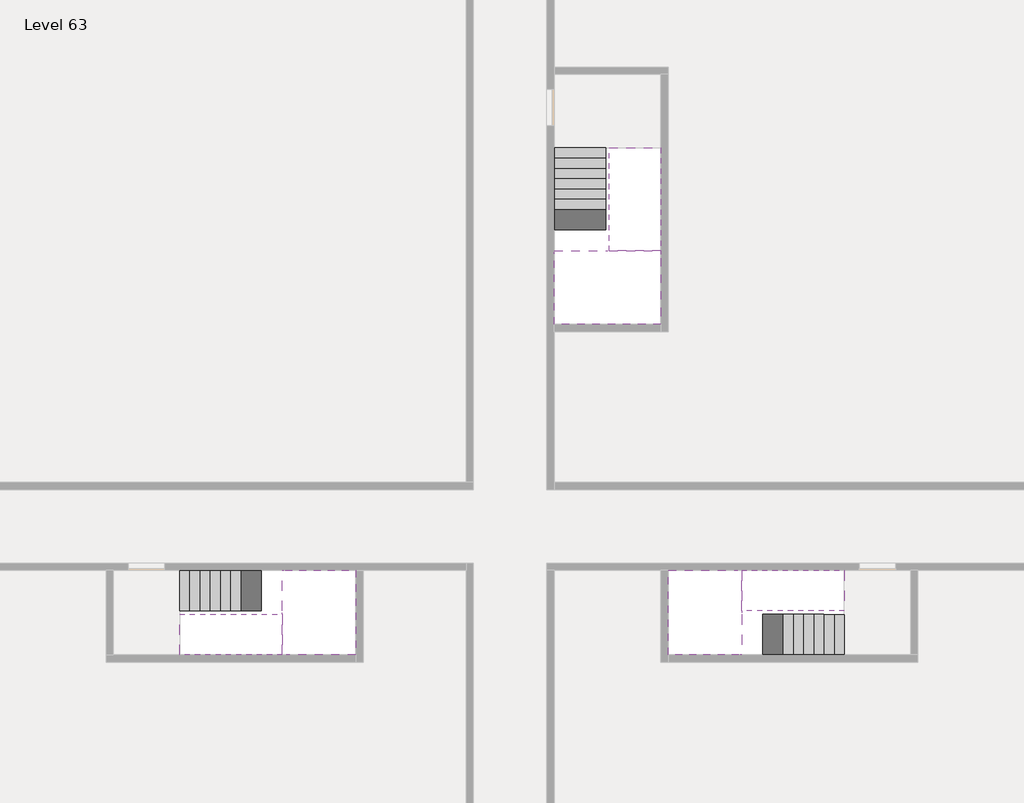
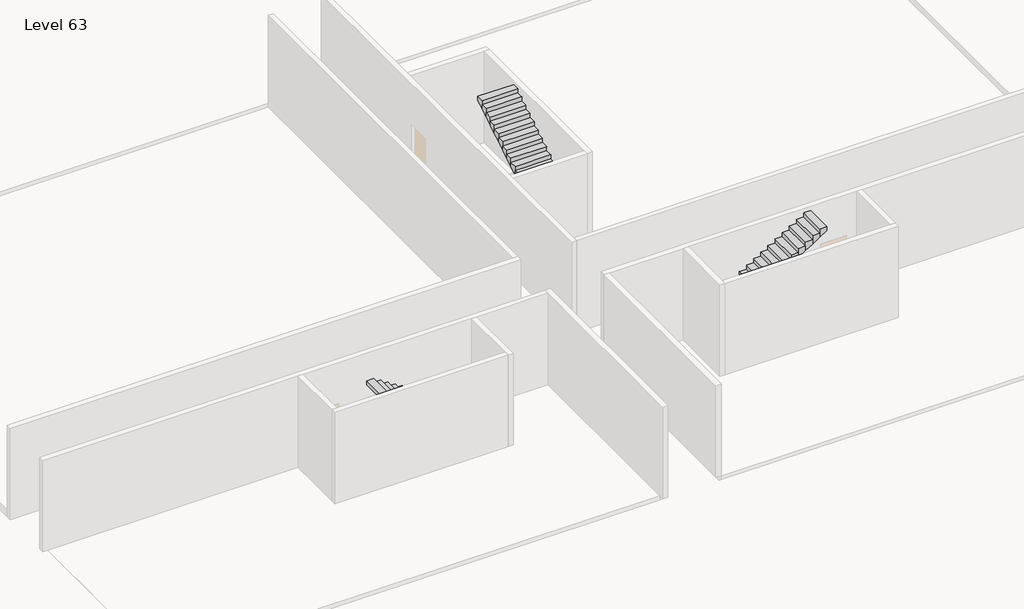
# One storey, part 2 of 2: 6 stair flights, 3 slabs.
"""IFC4 building model written with IfcOpenShell, lengths in millimetres."""

import ifcopenshell
import ifcopenshell.guid

model = None  # the IFC model being written
_history = None  # IfcOwnerHistory: only IFC2X3 demands one
_inside = {}  # id of a spatial element -> (the spatial element, [elements in it])
_under = {}  # id of a project, library or spatial element -> (it, [spatial elements below it])
_declared = {}  # id of a project -> (the project, [libraries it declares])
_typed = {}  # id of a type object -> (the type object, [elements of that type])
_made_of = {}  # id of a material, layer set ... -> (it, [elements and type objects made of it])


def new_model(schema):
    """Start an empty IFC model of exactly this schema.

    Asked for "IFC4X3", IfcOpenShell would pick the latest addendum, in which some entities
    have other attributes; the version numbers below select the first issue.
    IFC2X3 requires an IfcOwnerHistory on every rooted entity: one is made here for all.
    """
    global model, _history
    if schema == "IFC4X3":
        model = ifcopenshell.file(schema_version=(4, 3, 0, 0))
    else:
        model = ifcopenshell.file(schema=schema)
    _inside.clear()
    _under.clear()
    _declared.clear()
    _typed.clear()
    _made_of.clear()
    _history = None
    if model.schema == "IFC2X3":
        org = make("IfcOrganization", Name="unknown")
        user = make(
            "IfcPersonAndOrganization",
            ThePerson=make("IfcPerson", FamilyName="unknown"),
            TheOrganization=org,
        )
        app = make(
            "IfcApplication",
            ApplicationDeveloper=org,
            Version="unknown",
            ApplicationFullName="unknown",
            ApplicationIdentifier="unknown",
        )
        _history = make(
            "IfcOwnerHistory",
            OwningUser=user,
            OwningApplication=app,
            ChangeAction="ADDED",
            CreationDate=0,
        )
    return model


def make(cls, **values):
    """One entity of the class cls with the attributes given. An attribute that is None is left unset."""
    return model.create_entity(
        cls, **{name: value for name, value in values.items() if value is not None}
    )


def rooted(cls, **values):
    """An entity with a GlobalId (a new one), such as an element, a storey or a relation."""
    return make(cls, GlobalId=ifcopenshell.guid.new(), OwnerHistory=_history, **values)


def si_unit(unit_type, name, prefix=None):
    """IfcSIUnit, for example si_unit("LENGTHUNIT", "METRE", prefix="MILLI")."""
    return make("IfcSIUnit", UnitType=unit_type, Prefix=prefix, Name=name)


def assignment(units):
    """IfcUnitAssignment: the units of a project."""
    return None if units is None else make("IfcUnitAssignment", Units=units)


def point(xyz):
    """IfcCartesianPoint."""
    return None if xyz is None else make("IfcCartesianPoint", Coordinates=xyz)


def direction(xyz):
    """IfcDirection."""
    return None if xyz is None else make("IfcDirection", DirectionRatios=xyz)


def frame(location, z_axis=None, x_axis=None):
    """IfcAxis2Placement3D, a coordinate frame: its origin and axes. An axis left out is left unset."""
    return make(
        "IfcAxis2Placement3D",
        Location=point(location),
        Axis=direction(z_axis),
        RefDirection=direction(x_axis),
    )


def origin():
    """The frame at (0, 0, 0) with its axes left unset."""
    return frame((0.0, 0.0, 0.0))


def place(relative_to, where):
    """IfcLocalPlacement: puts the frame where relative to a parent placement (None: the world)."""
    return make(
        "IfcLocalPlacement", PlacementRelTo=relative_to, RelativePlacement=where
    )


def context(
    kind, dimensions, precision=None, world=None, true_north=None, identifier=None
):
    """IfcGeometricRepresentationContext, for example the 3D "Model" context."""
    return make(
        "IfcGeometricRepresentationContext",
        ContextIdentifier=identifier,
        ContextType=kind,
        CoordinateSpaceDimension=dimensions,
        Precision=precision,
        WorldCoordinateSystem=world,
        TrueNorth=true_north,
    )


def project(units=None, contexts=None):
    """IfcProject with its units and contexts."""
    return rooted(
        "IfcProject",
        Name="project",
        RepresentationContexts=contexts,
        UnitsInContext=assignment(units),
    )


def spatial(cls, under=None, at=None, **own):
    """A site, building, storey or space (cls), placed at a placement, below another one or the project."""
    s = rooted(cls, ObjectPlacement=at, **own)
    if under is not None:
        _under.setdefault(under.id(), (under, []))[1].append(s)
    return s


def faces_of(points, faces, orient=None, outer=None):
    """IfcFace entities. A face is a list of loops; a loop is a list of indices into points, from 0.

    orient and outer hold one flag for each loop. By default every Orientation is true, the
    first loop of a face is its IfcFaceOuterBound and the others are IfcFaceBound.
    """
    made = []
    for i, loops in enumerate(faces):
        bounds = []
        for j, loop in enumerate(loops):
            is_outer = j == 0 if outer is None else outer[i][j]
            bounds.append(
                make(
                    "IfcFaceOuterBound" if is_outer else "IfcFaceBound",
                    Bound=make("IfcPolyLoop", Polygon=[points[k] for k in loop]),
                    Orientation=True if orient is None else orient[i][j],
                )
            )
        made.append(make("IfcFace", Bounds=bounds))
    return made


def faceted_brep(points, faces, orient=None, outer=None, voids=None):
    """IfcFacetedBrep: a solid bounded by flat faces; with voids (closed shells), ...WithVoids."""
    shared = [point(p) for p in points]
    hull = make("IfcClosedShell", CfsFaces=faces_of(shared, faces, orient, outer))
    if voids is None:
        return make("IfcFacetedBrep", Outer=hull)
    return make(
        "IfcFacetedBrepWithVoids",
        Outer=hull,
        Voids=[
            make(cls, CfsFaces=faces_of(shared, fs, o, b)) for cls, fs, o, b in voids
        ],
    )


def shape(context_of_items, identifier, shape_type, items):
    """IfcShapeRepresentation: the items that make up one representation, for example the "Body"."""
    return make(
        "IfcShapeRepresentation",
        ContextOfItems=context_of_items,
        RepresentationIdentifier=identifier,
        RepresentationType=shape_type,
        Items=items,
    )


def made_of(thing, what):
    """Note that an element or type object is made of a material, layer set ...; save() writes the relation."""
    if what is not None:
        _made_of.setdefault(what.id(), (what, []))[1].append(thing)
    return thing


def element(
    cls,
    number,
    at=None,
    inside=None,
    cuts=None,
    type_object=None,
    material=None,
    context=None,
    identifier="Body",
    shape_type=None,
    held_by="IfcProductDefinitionShape",
    body=None,
    shapes=None,
    **own,
):
    """One element of the class cls, such as IfcWall. Its Tag is "e" and its number.

    at: its placement. inside: the storey or other place that contains it. cuts: it is an
    opening in that element (IfcRelVoidsElement). A single representation is given by context,
    identifier, shape_type and body (its items); several are given by shapes. held_by: the class
    of the entity that holds the representations. save() writes the other relations.
    """
    e = rooted(cls, Tag="e%d" % number, ObjectPlacement=at, **own)
    if body is not None:
        shapes = [shape(context, identifier, shape_type, body)]
    if shapes is not None:
        e.Representation = make(held_by, Representations=shapes)
    if inside is not None:
        _inside.setdefault(inside.id(), (inside, []))[1].append(e)
    if cuts is not None:
        rooted(
            "IfcRelVoidsElement", RelatingBuildingElement=cuts, RelatedOpeningElement=e
        )
    if type_object is not None:
        _typed.setdefault(type_object.id(), (type_object, []))[1].append(e)
    return made_of(e, material)


def aggregate(whole, parts):
    """IfcRelAggregates: a whole, such as a stair, and the parts it consists of."""
    return rooted("IfcRelAggregates", RelatingObject=whole, RelatedObjects=parts)


def save(model, path):
    """Write the relations noted so far, then the file.

    IfcRelAggregates (storeys below a building ...), IfcRelContainedInSpatialStructure (elements
    in a storey), IfcRelDefinesByType, IfcRelAssociatesMaterial and IfcRelDeclares: one each for
    every whole, place, type object, material and project.
    """
    for whole, parts in _under.values():
        aggregate(whole, parts)
    for where, things in _inside.values():
        rooted(
            "IfcRelContainedInSpatialStructure",
            RelatedElements=things,
            RelatingStructure=where,
        )
    for kind, things in _typed.values():
        rooted("IfcRelDefinesByType", RelatedObjects=things, RelatingType=kind)
    for what, things in _made_of.values():
        rooted("IfcRelAssociatesMaterial", RelatedObjects=things, RelatingMaterial=what)
    for by, libraries in _declared.values():
        rooted("IfcRelDeclares", RelatingContext=by, RelatedDefinitions=libraries)
    model.write(path)


model = new_model("IFC4")

# Units and contexts
model_context = context("Model", 3, world=origin())
ifc_project = project(units=[si_unit("LENGTHUNIT", "METRE", prefix="MILLI")], contexts=[model_context])

# Site, building, storey
site = spatial("IfcSite", under=ifc_project)
building = spatial("IfcBuilding", under=site)
storey = spatial("IfcBuildingStorey", under=building, Name="Level 63", Elevation=235600.0)

# Slabs
placement = place(None, origin())
element("IfcSlab", 1, at=placement, inside=storey, context=model_context, shape_type="Brep", body=[
    faceted_brep([(26790.1058784, -34218.09644, 237500.0), (25390.1058784, -34218.09644, 237500.0), (25390.1058784, -34297.4828763, 237500.0), (25390.1058784, -36218.09644, 237500.0), (28290.1058784, -36218.09644, 237500.0), (28290.1058784, -34418.7100038, 237500.0), (28290.1058784, -34218.09644, 237500.0), (26890.1058784, -34218.09644, 237500.0), (26790.1058784, -34218.09644, 237200.0), (26790.1058784, -34218.09644, 237151.0278478), (25390.1058784, -34218.09644, 237151.0278478), (25390.1058784, -34218.09644, 237327.2727273), (25390.1058784, -34297.4828763, 237200.0), (25390.1058784, -36218.09644, 237200.0), (28290.1058784, -36218.09644, 237200.0), (28290.1058784, -34418.7100038, 237200.0), (28290.1058784, -34218.09644, 237323.7551205), (26890.1058784, -34218.09644, 237323.7551205), (26890.1058784, -34218.09644, 237200.0), (26890.1058784, -34418.7100038, 237200.0), (26790.1058784, -34297.4828763, 237200.0)], [[[0, 1, 2, 3, 4, 5, 6, 7]], [[1, 0, 8, 9, 10, 11]], [[1, 11, 10, 12, 13, 3, 2]], [[4, 3, 13, 14]], [[4, 14, 15, 16, 6, 5]], [[7, 6, 16, 17]], [[0, 7, 17, 18, 8]], [[18, 19, 15, 14, 13, 12, 20, 8]], [[19, 18, 17]], [[20, 12, 10, 9]], [[8, 20, 9]], [[15, 19, 17, 16]]]),
])
element("IfcSlab", 2, at=placement, inside=storey, context=model_context, shape_type="Brep", body=[
    faceted_brep([(30490.1058784, -45218.09644, 237500.0), (30490.1058784, -44118.09644, 237500.0), (30490.1058784, -44018.09644, 237500.0), (30490.1058784, -42918.09644, 237500.0), (30289.4923146, -42918.09644, 237500.0), (28490.1058784, -42918.09644, 237500.0), (28490.1058784, -45218.09644, 237500.0), (30410.7194421, -45218.09644, 237500.0), (30490.1058784, -45218.09644, 237327.2727273), (30490.1058784, -45218.09644, 237151.0278478), (30490.1058784, -44118.09644, 237151.0278478), (30490.1058784, -44118.09644, 237200.0), (30490.1058784, -44018.09644, 237200.0), (30490.1058784, -44018.09644, 237323.7551205), (30490.1058784, -42918.09644, 237323.7551205), (30289.4923146, -42918.09644, 237200.0), (28490.1058784, -42918.09644, 237200.0), (28490.1058784, -45218.09644, 237200.0), (30410.7194421, -45218.09644, 237200.0), (30289.4923146, -44018.09644, 237200.0), (30410.7194421, -44118.09644, 237200.0)], [[[0, 1, 2, 3, 4, 5, 6, 7]], [[1, 0, 8, 9, 10, 11]], [[2, 1, 11, 12, 13]], [[3, 2, 13, 14]], [[3, 14, 15, 16, 5, 4]], [[6, 5, 16, 17]], [[9, 8, 0, 7, 6, 17, 18]], [[19, 12, 11, 20, 18, 17, 16, 15]], [[12, 19, 13]], [[18, 20, 10, 9]], [[20, 11, 10]], [[19, 15, 14, 13]]]),
])
element("IfcSlab", 3, at=placement, inside=storey, context=model_context, shape_type="Brep", body=[
    faceted_brep([(17990.1058784, -42918.09644, 237500.0), (17990.1058784, -44018.09644, 237500.0), (17990.1058784, -44118.09644, 237500.0), (17990.1058784, -45218.09644, 237500.0), (18190.7194421, -45218.09644, 237500.0), (19990.1058784, -45218.09644, 237500.0), (19990.1058784, -42918.09644, 237500.0), (18069.4923146, -42918.09644, 237500.0), (17990.1058784, -42918.09644, 237327.2727273), (17990.1058784, -42918.09644, 237151.0278478), (17990.1058784, -44018.09644, 237151.0278478), (17990.1058784, -44018.09644, 237200.0), (17990.1058784, -44118.09644, 237200.0), (17990.1058784, -44118.09644, 237323.7551205), (17990.1058784, -45218.09644, 237323.7551205), (18190.7194421, -45218.09644, 237200.0), (19990.1058784, -45218.09644, 237200.0), (19990.1058784, -42918.09644, 237200.0), (18069.4923146, -42918.09644, 237200.0), (18190.7194421, -44118.09644, 237200.0), (18069.4923146, -44018.09644, 237200.0)], [[[0, 1, 2, 3, 4, 5, 6, 7]], [[1, 0, 8, 9, 10, 11]], [[2, 1, 11, 12, 13]], [[3, 2, 13, 14]], [[3, 14, 15, 16, 5, 4]], [[6, 5, 16, 17]], [[9, 8, 0, 7, 6, 17, 18]], [[19, 12, 11, 20, 18, 17, 16, 15]], [[12, 19, 13]], [[18, 20, 10, 9]], [[20, 11, 10]], [[19, 15, 14, 13]]]),
])

# Stair flights
element("IfcStairFlight", 4, at=placement, inside=storey, context=model_context, shape_type="Brep", body=[
    faceted_brep([(26790.1058784, -31698.09644, 235772.7272727), (26790.1058784, -31418.09644, 235772.7272727), (25390.1058784, -31418.09644, 235772.7272727), (25390.1058784, -31698.09644, 235772.7272727), (26790.1058784, -31698.09644, 235600.0), (26790.1058784, -31418.09644, 235600.0), (25390.1058784, -31418.09644, 235600.0), (25390.1058784, -31698.09644, 235600.0), (26790.1058784, -31978.09644, 235945.4545455), (26790.1058784, -31698.09644, 235945.4545455), (25390.1058784, -31698.09644, 235945.4545455), (25390.1058784, -31978.09644, 235945.4545455), (26790.1058784, -31978.09644, 235769.209666), (26790.1058784, -31703.7986657, 235600.0), (25390.1058784, -31703.7986657, 235600.0), (25390.1058784, -31978.09644, 235769.209666), (26790.1058784, -32258.09644, 236118.1818182), (26790.1058784, -31978.09644, 236118.1818182), (25390.1058784, -31978.09644, 236118.1818182), (25390.1058784, -32258.09644, 236118.1818182), (26790.1058784, -32258.09644, 235941.9369387), (25390.1058784, -32258.09644, 235941.9369387), (26790.1058784, -32538.09644, 236290.9090909), (26790.1058784, -32258.09644, 236290.9090909), (25390.1058784, -32258.09644, 236290.9090909), (25390.1058784, -32538.09644, 236290.9090909), (26790.1058784, -32538.09644, 236114.6642114), (25390.1058784, -32538.09644, 236114.6642114), (26790.1058784, -32818.09644, 236463.6363636), (26790.1058784, -32538.09644, 236463.6363636), (25390.1058784, -32538.09644, 236463.6363636), (25390.1058784, -32818.09644, 236463.6363636), (26790.1058784, -32818.09644, 236287.3914841), (25390.1058784, -32818.09644, 236287.3914841), (26790.1058784, -33098.09644, 236636.3636364), (26790.1058784, -32818.09644, 236636.3636364), (25390.1058784, -32818.09644, 236636.3636364), (25390.1058784, -33098.09644, 236636.3636364), (26790.1058784, -33098.09644, 236460.1187569), (25390.1058784, -33098.09644, 236460.1187569), (26790.1058784, -33378.09644, 236809.0909091), (26790.1058784, -33098.09644, 236809.0909091), (25390.1058784, -33098.09644, 236809.0909091), (25390.1058784, -33378.09644, 236809.0909091), (26790.1058784, -33378.09644, 236632.8460296), (25390.1058784, -33378.09644, 236632.8460296), (26790.1058784, -33658.09644, 236981.8181818), (26790.1058784, -33378.09644, 236981.8181818), (25390.1058784, -33378.09644, 236981.8181818), (25390.1058784, -33658.09644, 236981.8181818), (26790.1058784, -33658.09644, 236805.5733023), (25390.1058784, -33658.09644, 236805.5733023), (26790.1058784, -33938.09644, 237154.5454545), (26790.1058784, -33658.09644, 237154.5454545), (25390.1058784, -33658.09644, 237154.5454545), (25390.1058784, -33938.09644, 237154.5454545), (26790.1058784, -33938.09644, 236978.3005751), (25390.1058784, -33938.09644, 236978.3005751), (26790.1058784, -34218.09644, 237327.2727273), (26790.1058784, -33938.09644, 237327.2727273), (25390.1058784, -33938.09644, 237327.2727273), (25390.1058784, -34218.09644, 237327.2727273), (26790.1058784, -34218.09644, 237200.0), (26790.1058784, -34218.09644, 237151.0278478), (25390.1058784, -34218.09644, 237151.0278478)], [[[0, 1, 2, 3]], [[1, 0, 4, 5]], [[2, 1, 5, 6]], [[3, 2, 6, 7]], [[8, 9, 10, 11]], [[4, 0, 9, 8, 12, 13]], [[0, 3, 10, 9]], [[3, 7, 14, 15, 11, 10]], [[16, 17, 18, 19]], [[17, 16, 20, 12, 8]], [[8, 11, 18, 17]], [[19, 18, 11, 15, 21]], [[22, 23, 24, 25]], [[23, 22, 26, 20, 16]], [[16, 19, 24, 23]], [[25, 24, 19, 21, 27]], [[28, 29, 30, 31]], [[29, 28, 32, 26, 22]], [[22, 25, 30, 29]], [[31, 30, 25, 27, 33]], [[34, 35, 36, 37]], [[35, 34, 38, 32, 28]], [[28, 31, 36, 35]], [[37, 36, 31, 33, 39]], [[40, 41, 42, 43]], [[41, 40, 44, 38, 34]], [[34, 37, 42, 41]], [[43, 42, 37, 39, 45]], [[46, 47, 48, 49]], [[47, 46, 50, 44, 40]], [[40, 43, 48, 47]], [[49, 48, 43, 45, 51]], [[52, 53, 54, 55]], [[53, 52, 56, 50, 46]], [[46, 49, 54, 53]], [[55, 54, 49, 51, 57]], [[58, 59, 60, 61]], [[59, 58, 62, 63, 56, 52]], [[52, 55, 60, 59]], [[61, 60, 55, 57, 64]], [[58, 61, 64, 63, 62]], [[5, 4, 13, 14, 7, 6]], [[14, 13, 12, 20, 26, 32, 38, 44, 50, 56, 63, 64, 57, 51, 45, 39, 33, 27, 21, 15]]]),
])
element("IfcStairFlight", 5, at=placement, inside=storey, context=model_context, shape_type="Brep", body=[
    faceted_brep([(26890.1058784, -33938.09644, 237672.7272727), (26890.1058784, -34218.09644, 237672.7272727), (28290.1058784, -34218.09644, 237672.7272727), (28290.1058784, -33938.09644, 237672.7272727), (26890.1058784, -33938.09644, 237496.4823932), (26890.1058784, -34218.09644, 237323.7551205), (28290.1058784, -34218.09644, 237323.7551205), (28290.1058784, -34218.09644, 237500.0), (28290.1058784, -33938.09644, 237496.4823932), (26890.1058784, -33658.09644, 237845.4545455), (26890.1058784, -33938.09644, 237845.4545455), (28290.1058784, -33938.09644, 237845.4545455), (28290.1058784, -33658.09644, 237845.4545455), (26890.1058784, -33658.09644, 237669.209666), (28290.1058784, -33658.09644, 237669.209666), (26890.1058784, -33378.09644, 238018.1818182), (26890.1058784, -33658.09644, 238018.1818182), (28290.1058784, -33658.09644, 238018.1818182), (28290.1058784, -33378.09644, 238018.1818182), (26890.1058784, -33378.09644, 237841.9369387), (28290.1058784, -33378.09644, 237841.9369387), (26890.1058784, -33098.09644, 238190.9090909), (26890.1058784, -33378.09644, 238190.9090909), (28290.1058784, -33378.09644, 238190.9090909), (28290.1058784, -33098.09644, 238190.9090909), (26890.1058784, -33098.09644, 238014.6642114), (28290.1058784, -33098.09644, 238014.6642114), (26890.1058784, -32818.09644, 238363.6363636), (26890.1058784, -33098.09644, 238363.6363636), (28290.1058784, -33098.09644, 238363.6363636), (28290.1058784, -32818.09644, 238363.6363636), (26890.1058784, -32818.09644, 238187.3914841), (28290.1058784, -32818.09644, 238187.3914841), (26890.1058784, -32538.09644, 238536.3636364), (26890.1058784, -32818.09644, 238536.3636364), (28290.1058784, -32818.09644, 238536.3636364), (28290.1058784, -32538.09644, 238536.3636364), (26890.1058784, -32538.09644, 238360.1187569), (28290.1058784, -32538.09644, 238360.1187569), (26890.1058784, -32258.09644, 238709.0909091), (26890.1058784, -32538.09644, 238709.0909091), (28290.1058784, -32538.09644, 238709.0909091), (28290.1058784, -32258.09644, 238709.0909091), (26890.1058784, -32258.09644, 238532.8460296), (28290.1058784, -32258.09644, 238532.8460296), (26890.1058784, -31978.09644, 238881.8181818), (26890.1058784, -32258.09644, 238881.8181818), (28290.1058784, -32258.09644, 238881.8181818), (28290.1058784, -31978.09644, 238881.8181818), (26890.1058784, -31978.09644, 238705.5733023), (28290.1058784, -31978.09644, 238705.5733023), (26890.1058784, -31698.09644, 239054.5454545), (26890.1058784, -31978.09644, 239054.5454545), (28290.1058784, -31978.09644, 239054.5454545), (28290.1058784, -31698.09644, 239054.5454545), (26890.1058784, -31698.09644, 238878.3005751), (28290.1058784, -31698.09644, 238878.3005751), (26890.1058784, -31418.09644, 239227.2727273), (26890.1058784, -31698.09644, 239227.2727273), (28290.1058784, -31698.09644, 239227.2727273), (28290.1058784, -31418.09644, 239227.2727273), (26890.1058784, -31418.09644, 239051.0278478), (28290.1058784, -31418.09644, 239051.0278478)], [[[0, 1, 2, 3]], [[1, 0, 4, 5]], [[2, 1, 5, 6, 7]], [[3, 2, 7, 6, 8]], [[9, 10, 11, 12]], [[10, 9, 13, 4, 0]], [[11, 10, 0, 3]], [[12, 11, 3, 8, 14]], [[15, 16, 17, 18]], [[16, 15, 19, 13, 9]], [[17, 16, 9, 12]], [[18, 17, 12, 14, 20]], [[21, 22, 23, 24]], [[22, 21, 25, 19, 15]], [[23, 22, 15, 18]], [[24, 23, 18, 20, 26]], [[27, 28, 29, 30]], [[28, 27, 31, 25, 21]], [[29, 28, 21, 24]], [[30, 29, 24, 26, 32]], [[33, 34, 35, 36]], [[34, 33, 37, 31, 27]], [[35, 34, 27, 30]], [[36, 35, 30, 32, 38]], [[39, 40, 41, 42]], [[40, 39, 43, 37, 33]], [[41, 40, 33, 36]], [[42, 41, 36, 38, 44]], [[45, 46, 47, 48]], [[46, 45, 49, 43, 39]], [[47, 46, 39, 42]], [[48, 47, 42, 44, 50]], [[51, 52, 53, 54]], [[52, 51, 55, 49, 45]], [[53, 52, 45, 48]], [[54, 53, 48, 50, 56]], [[57, 58, 59, 60]], [[58, 57, 61, 55, 51]], [[59, 58, 51, 54]], [[60, 59, 54, 56, 62]], [[57, 60, 62, 61]], [[5, 4, 13, 19, 25, 31, 37, 43, 49, 55, 61, 62, 56, 50, 44, 38, 32, 26, 20, 14, 8, 6]]]),
])
element("IfcStairFlight", 6, at=placement, inside=storey, context=model_context, shape_type="Brep", body=[
    faceted_brep([(33010.1058784, -45218.09644, 235772.7272727), (33290.1058784, -45218.09644, 235772.7272727), (33290.1058784, -44118.09644, 235772.7272727), (33010.1058784, -44118.09644, 235772.7272727), (33010.1058784, -45218.09644, 235600.0), (33290.1058784, -45218.09644, 235600.0), (33290.1058784, -44118.09644, 235600.0), (33010.1058784, -44118.09644, 235600.0), (32730.1058784, -45218.09644, 235945.4545455), (33010.1058784, -45218.09644, 235945.4545455), (33010.1058784, -44118.09644, 235945.4545455), (32730.1058784, -44118.09644, 235945.4545455), (32730.1058784, -45218.09644, 235769.209666), (33004.4036527, -45218.09644, 235600.0), (33004.4036527, -44118.09644, 235600.0), (32730.1058784, -44118.09644, 235769.209666), (32450.1058784, -45218.09644, 236118.1818182), (32730.1058784, -45218.09644, 236118.1818182), (32730.1058784, -44118.09644, 236118.1818182), (32450.1058784, -44118.09644, 236118.1818182), (32450.1058784, -45218.09644, 235941.9369387), (32450.1058784, -44118.09644, 235941.9369387), (32170.1058784, -45218.09644, 236290.9090909), (32450.1058784, -45218.09644, 236290.9090909), (32450.1058784, -44118.09644, 236290.9090909), (32170.1058784, -44118.09644, 236290.9090909), (32170.1058784, -45218.09644, 236114.6642114), (32170.1058784, -44118.09644, 236114.6642114), (31890.1058784, -45218.09644, 236463.6363636), (32170.1058784, -45218.09644, 236463.6363636), (32170.1058784, -44118.09644, 236463.6363636), (31890.1058784, -44118.09644, 236463.6363636), (31890.1058784, -45218.09644, 236287.3914841), (31890.1058784, -44118.09644, 236287.3914841), (31610.1058784, -45218.09644, 236636.3636364), (31890.1058784, -45218.09644, 236636.3636364), (31890.1058784, -44118.09644, 236636.3636364), (31610.1058784, -44118.09644, 236636.3636364), (31610.1058784, -45218.09644, 236460.1187569), (31610.1058784, -44118.09644, 236460.1187569), (31330.1058784, -45218.09644, 236809.0909091), (31610.1058784, -45218.09644, 236809.0909091), (31610.1058784, -44118.09644, 236809.0909091), (31330.1058784, -44118.09644, 236809.0909091), (31330.1058784, -45218.09644, 236632.8460296), (31330.1058784, -44118.09644, 236632.8460296), (31050.1058784, -45218.09644, 236981.8181818), (31330.1058784, -45218.09644, 236981.8181818), (31330.1058784, -44118.09644, 236981.8181818), (31050.1058784, -44118.09644, 236981.8181818), (31050.1058784, -45218.09644, 236805.5733023), (31050.1058784, -44118.09644, 236805.5733023), (30770.1058784, -45218.09644, 237154.5454545), (31050.1058784, -45218.09644, 237154.5454545), (31050.1058784, -44118.09644, 237154.5454545), (30770.1058784, -44118.09644, 237154.5454545), (30770.1058784, -45218.09644, 236978.3005751), (30770.1058784, -44118.09644, 236978.3005751), (30490.1058784, -45218.09644, 237327.2727273), (30770.1058784, -45218.09644, 237327.2727273), (30770.1058784, -44118.09644, 237327.2727273), (30490.1058784, -44118.09644, 237327.2727273), (30490.1058784, -45218.09644, 237151.0278478), (30490.1058784, -44118.09644, 237151.0278478), (30490.1058784, -44118.09644, 237200.0)], [[[0, 1, 2, 3]], [[1, 0, 4, 5]], [[2, 1, 5, 6]], [[3, 2, 6, 7]], [[8, 9, 10, 11]], [[4, 0, 9, 8, 12, 13]], [[0, 3, 10, 9]], [[3, 7, 14, 15, 11, 10]], [[16, 17, 18, 19]], [[17, 16, 20, 12, 8]], [[8, 11, 18, 17]], [[19, 18, 11, 15, 21]], [[22, 23, 24, 25]], [[23, 22, 26, 20, 16]], [[16, 19, 24, 23]], [[25, 24, 19, 21, 27]], [[28, 29, 30, 31]], [[29, 28, 32, 26, 22]], [[22, 25, 30, 29]], [[31, 30, 25, 27, 33]], [[34, 35, 36, 37]], [[35, 34, 38, 32, 28]], [[28, 31, 36, 35]], [[37, 36, 31, 33, 39]], [[40, 41, 42, 43]], [[41, 40, 44, 38, 34]], [[34, 37, 42, 41]], [[43, 42, 37, 39, 45]], [[46, 47, 48, 49]], [[47, 46, 50, 44, 40]], [[40, 43, 48, 47]], [[49, 48, 43, 45, 51]], [[52, 53, 54, 55]], [[53, 52, 56, 50, 46]], [[46, 49, 54, 53]], [[55, 54, 49, 51, 57]], [[58, 59, 60, 61]], [[59, 58, 62, 56, 52]], [[52, 55, 60, 59]], [[61, 60, 55, 57, 63, 64]], [[58, 61, 64, 63, 62]], [[5, 4, 13, 14, 7, 6]], [[14, 13, 12, 20, 26, 32, 38, 44, 50, 56, 62, 63, 57, 51, 45, 39, 33, 27, 21, 15]]]),
])
element("IfcStairFlight", 7, at=placement, inside=storey, context=model_context, shape_type="Brep", body=[
    faceted_brep([(30770.1058784, -42918.09644, 237672.7272727), (30490.1058784, -42918.09644, 237672.7272727), (30490.1058784, -44018.09644, 237672.7272727), (30770.1058784, -44018.09644, 237672.7272727), (30770.1058784, -42918.09644, 237496.4823932), (30490.1058784, -42918.09644, 237323.7551205), (30490.1058784, -42918.09644, 237500.0), (30490.1058784, -44018.09644, 237323.7551205), (30770.1058784, -44018.09644, 237496.4823932), (31050.1058784, -42918.09644, 237845.4545455), (30770.1058784, -42918.09644, 237845.4545455), (30770.1058784, -44018.09644, 237845.4545455), (31050.1058784, -44018.09644, 237845.4545455), (31050.1058784, -42918.09644, 237669.209666), (31050.1058784, -44018.09644, 237669.209666), (31330.1058784, -42918.09644, 238018.1818182), (31050.1058784, -42918.09644, 238018.1818182), (31050.1058784, -44018.09644, 238018.1818182), (31330.1058784, -44018.09644, 238018.1818182), (31330.1058784, -42918.09644, 237841.9369387), (31330.1058784, -44018.09644, 237841.9369387), (31610.1058784, -42918.09644, 238190.9090909), (31330.1058784, -42918.09644, 238190.9090909), (31330.1058784, -44018.09644, 238190.9090909), (31610.1058784, -44018.09644, 238190.9090909), (31610.1058784, -42918.09644, 238014.6642114), (31610.1058784, -44018.09644, 238014.6642114), (31890.1058784, -42918.09644, 238363.6363636), (31610.1058784, -42918.09644, 238363.6363636), (31610.1058784, -44018.09644, 238363.6363636), (31890.1058784, -44018.09644, 238363.6363636), (31890.1058784, -42918.09644, 238187.3914841), (31890.1058784, -44018.09644, 238187.3914841), (32170.1058784, -42918.09644, 238536.3636364), (31890.1058784, -42918.09644, 238536.3636364), (31890.1058784, -44018.09644, 238536.3636364), (32170.1058784, -44018.09644, 238536.3636364), (32170.1058784, -42918.09644, 238360.1187569), (32170.1058784, -44018.09644, 238360.1187569), (32450.1058784, -42918.09644, 238709.0909091), (32170.1058784, -42918.09644, 238709.0909091), (32170.1058784, -44018.09644, 238709.0909091), (32450.1058784, -44018.09644, 238709.0909091), (32450.1058784, -42918.09644, 238532.8460296), (32450.1058784, -44018.09644, 238532.8460296), (32730.1058784, -42918.09644, 238881.8181818), (32450.1058784, -42918.09644, 238881.8181818), (32450.1058784, -44018.09644, 238881.8181818), (32730.1058784, -44018.09644, 238881.8181818), (32730.1058784, -42918.09644, 238705.5733023), (32730.1058784, -44018.09644, 238705.5733023), (33010.1058784, -42918.09644, 239054.5454545), (32730.1058784, -42918.09644, 239054.5454545), (32730.1058784, -44018.09644, 239054.5454545), (33010.1058784, -44018.09644, 239054.5454545), (33010.1058784, -42918.09644, 238878.3005751), (33010.1058784, -44018.09644, 238878.3005751), (33290.1058784, -42918.09644, 239227.2727273), (33010.1058784, -42918.09644, 239227.2727273), (33010.1058784, -44018.09644, 239227.2727273), (33290.1058784, -44018.09644, 239227.2727273), (33290.1058784, -42918.09644, 239051.0278478), (33290.1058784, -44018.09644, 239051.0278478)], [[[0, 1, 2, 3]], [[1, 0, 4, 5, 6]], [[2, 1, 6, 5, 7]], [[3, 2, 7, 8]], [[9, 10, 11, 12]], [[10, 9, 13, 4, 0]], [[11, 10, 0, 3]], [[12, 11, 3, 8, 14]], [[15, 16, 17, 18]], [[16, 15, 19, 13, 9]], [[17, 16, 9, 12]], [[18, 17, 12, 14, 20]], [[21, 22, 23, 24]], [[22, 21, 25, 19, 15]], [[23, 22, 15, 18]], [[24, 23, 18, 20, 26]], [[27, 28, 29, 30]], [[28, 27, 31, 25, 21]], [[29, 28, 21, 24]], [[30, 29, 24, 26, 32]], [[33, 34, 35, 36]], [[34, 33, 37, 31, 27]], [[35, 34, 27, 30]], [[36, 35, 30, 32, 38]], [[39, 40, 41, 42]], [[40, 39, 43, 37, 33]], [[41, 40, 33, 36]], [[42, 41, 36, 38, 44]], [[45, 46, 47, 48]], [[46, 45, 49, 43, 39]], [[47, 46, 39, 42]], [[48, 47, 42, 44, 50]], [[51, 52, 53, 54]], [[52, 51, 55, 49, 45]], [[53, 52, 45, 48]], [[54, 53, 48, 50, 56]], [[57, 58, 59, 60]], [[58, 57, 61, 55, 51]], [[59, 58, 51, 54]], [[60, 59, 54, 56, 62]], [[57, 60, 62, 61]], [[5, 4, 13, 19, 25, 31, 37, 43, 49, 55, 61, 62, 56, 50, 44, 38, 32, 26, 20, 14, 8, 7]]]),
])
element("IfcStairFlight", 8, at=placement, inside=storey, context=model_context, shape_type="Brep", body=[
    faceted_brep([(15470.1058784, -42918.09644, 235772.7272727), (15190.1058784, -42918.09644, 235772.7272727), (15190.1058784, -44018.09644, 235772.7272727), (15470.1058784, -44018.09644, 235772.7272727), (15470.1058784, -42918.09644, 235600.0), (15190.1058784, -42918.09644, 235600.0), (15190.1058784, -44018.09644, 235600.0), (15470.1058784, -44018.09644, 235600.0), (15750.1058784, -42918.09644, 235945.4545455), (15470.1058784, -42918.09644, 235945.4545455), (15470.1058784, -44018.09644, 235945.4545455), (15750.1058784, -44018.09644, 235945.4545455), (15750.1058784, -42918.09644, 235769.209666), (15475.8081041, -42918.09644, 235600.0), (15475.8081041, -44018.09644, 235600.0), (15750.1058784, -44018.09644, 235769.209666), (16030.1058784, -42918.09644, 236118.1818182), (15750.1058784, -42918.09644, 236118.1818182), (15750.1058784, -44018.09644, 236118.1818182), (16030.1058784, -44018.09644, 236118.1818182), (16030.1058784, -42918.09644, 235941.9369387), (16030.1058784, -44018.09644, 235941.9369387), (16310.1058784, -42918.09644, 236290.9090909), (16030.1058784, -42918.09644, 236290.9090909), (16030.1058784, -44018.09644, 236290.9090909), (16310.1058784, -44018.09644, 236290.9090909), (16310.1058784, -42918.09644, 236114.6642114), (16310.1058784, -44018.09644, 236114.6642114), (16590.1058784, -42918.09644, 236463.6363636), (16310.1058784, -42918.09644, 236463.6363636), (16310.1058784, -44018.09644, 236463.6363636), (16590.1058784, -44018.09644, 236463.6363636), (16590.1058784, -42918.09644, 236287.3914841), (16590.1058784, -44018.09644, 236287.3914841), (16870.1058784, -42918.09644, 236636.3636364), (16590.1058784, -42918.09644, 236636.3636364), (16590.1058784, -44018.09644, 236636.3636364), (16870.1058784, -44018.09644, 236636.3636364), (16870.1058784, -42918.09644, 236460.1187569), (16870.1058784, -44018.09644, 236460.1187569), (17150.1058784, -42918.09644, 236809.0909091), (16870.1058784, -42918.09644, 236809.0909091), (16870.1058784, -44018.09644, 236809.0909091), (17150.1058784, -44018.09644, 236809.0909091), (17150.1058784, -42918.09644, 236632.8460296), (17150.1058784, -44018.09644, 236632.8460296), (17430.1058784, -42918.09644, 236981.8181818), (17150.1058784, -42918.09644, 236981.8181818), (17150.1058784, -44018.09644, 236981.8181818), (17430.1058784, -44018.09644, 236981.8181818), (17430.1058784, -42918.09644, 236805.5733023), (17430.1058784, -44018.09644, 236805.5733023), (17710.1058784, -42918.09644, 237154.5454545), (17430.1058784, -42918.09644, 237154.5454545), (17430.1058784, -44018.09644, 237154.5454545), (17710.1058784, -44018.09644, 237154.5454545), (17710.1058784, -42918.09644, 236978.3005751), (17710.1058784, -44018.09644, 236978.3005751), (17990.1058784, -42918.09644, 237327.2727273), (17710.1058784, -42918.09644, 237327.2727273), (17710.1058784, -44018.09644, 237327.2727273), (17990.1058784, -44018.09644, 237327.2727273), (17990.1058784, -42918.09644, 237151.0278478), (17990.1058784, -44018.09644, 237151.0278478), (17990.1058784, -44018.09644, 237200.0)], [[[0, 1, 2, 3]], [[1, 0, 4, 5]], [[2, 1, 5, 6]], [[3, 2, 6, 7]], [[8, 9, 10, 11]], [[4, 0, 9, 8, 12, 13]], [[0, 3, 10, 9]], [[3, 7, 14, 15, 11, 10]], [[16, 17, 18, 19]], [[17, 16, 20, 12, 8]], [[8, 11, 18, 17]], [[19, 18, 11, 15, 21]], [[22, 23, 24, 25]], [[23, 22, 26, 20, 16]], [[16, 19, 24, 23]], [[25, 24, 19, 21, 27]], [[28, 29, 30, 31]], [[29, 28, 32, 26, 22]], [[22, 25, 30, 29]], [[31, 30, 25, 27, 33]], [[34, 35, 36, 37]], [[35, 34, 38, 32, 28]], [[28, 31, 36, 35]], [[37, 36, 31, 33, 39]], [[40, 41, 42, 43]], [[41, 40, 44, 38, 34]], [[34, 37, 42, 41]], [[43, 42, 37, 39, 45]], [[46, 47, 48, 49]], [[47, 46, 50, 44, 40]], [[40, 43, 48, 47]], [[49, 48, 43, 45, 51]], [[52, 53, 54, 55]], [[53, 52, 56, 50, 46]], [[46, 49, 54, 53]], [[55, 54, 49, 51, 57]], [[58, 59, 60, 61]], [[59, 58, 62, 56, 52]], [[52, 55, 60, 59]], [[61, 60, 55, 57, 63, 64]], [[58, 61, 64, 63, 62]], [[5, 4, 13, 14, 7, 6]], [[14, 13, 12, 20, 26, 32, 38, 44, 50, 56, 62, 63, 57, 51, 45, 39, 33, 27, 21, 15]]]),
])
element("IfcStairFlight", 9, at=placement, inside=storey, context=model_context, shape_type="Brep", body=[
    faceted_brep([(17710.1058784, -45218.09644, 237672.7272727), (17990.1058784, -45218.09644, 237672.7272727), (17990.1058784, -44118.09644, 237672.7272727), (17710.1058784, -44118.09644, 237672.7272727), (17710.1058784, -45218.09644, 237496.4823932), (17990.1058784, -45218.09644, 237323.7551205), (17990.1058784, -45218.09644, 237500.0), (17990.1058784, -44118.09644, 237323.7551205), (17710.1058784, -44118.09644, 237496.4823932), (17430.1058784, -45218.09644, 237845.4545455), (17710.1058784, -45218.09644, 237845.4545455), (17710.1058784, -44118.09644, 237845.4545455), (17430.1058784, -44118.09644, 237845.4545455), (17430.1058784, -45218.09644, 237669.209666), (17430.1058784, -44118.09644, 237669.209666), (17150.1058784, -45218.09644, 238018.1818182), (17430.1058784, -45218.09644, 238018.1818182), (17430.1058784, -44118.09644, 238018.1818182), (17150.1058784, -44118.09644, 238018.1818182), (17150.1058784, -45218.09644, 237841.9369387), (17150.1058784, -44118.09644, 237841.9369387), (16870.1058784, -45218.09644, 238190.9090909), (17150.1058784, -45218.09644, 238190.9090909), (17150.1058784, -44118.09644, 238190.9090909), (16870.1058784, -44118.09644, 238190.9090909), (16870.1058784, -45218.09644, 238014.6642114), (16870.1058784, -44118.09644, 238014.6642114), (16590.1058784, -45218.09644, 238363.6363636), (16870.1058784, -45218.09644, 238363.6363636), (16870.1058784, -44118.09644, 238363.6363636), (16590.1058784, -44118.09644, 238363.6363636), (16590.1058784, -45218.09644, 238187.3914841), (16590.1058784, -44118.09644, 238187.3914841), (16310.1058784, -45218.09644, 238536.3636364), (16590.1058784, -45218.09644, 238536.3636364), (16590.1058784, -44118.09644, 238536.3636364), (16310.1058784, -44118.09644, 238536.3636364), (16310.1058784, -45218.09644, 238360.1187569), (16310.1058784, -44118.09644, 238360.1187569), (16030.1058784, -45218.09644, 238709.0909091), (16310.1058784, -45218.09644, 238709.0909091), (16310.1058784, -44118.09644, 238709.0909091), (16030.1058784, -44118.09644, 238709.0909091), (16030.1058784, -45218.09644, 238532.8460296), (16030.1058784, -44118.09644, 238532.8460296), (15750.1058784, -45218.09644, 238881.8181818), (16030.1058784, -45218.09644, 238881.8181818), (16030.1058784, -44118.09644, 238881.8181818), (15750.1058784, -44118.09644, 238881.8181818), (15750.1058784, -45218.09644, 238705.5733023), (15750.1058784, -44118.09644, 238705.5733023), (15470.1058784, -45218.09644, 239054.5454545), (15750.1058784, -45218.09644, 239054.5454545), (15750.1058784, -44118.09644, 239054.5454545), (15470.1058784, -44118.09644, 239054.5454545), (15470.1058784, -45218.09644, 238878.3005751), (15470.1058784, -44118.09644, 238878.3005751), (15190.1058784, -45218.09644, 239227.2727273), (15470.1058784, -45218.09644, 239227.2727273), (15470.1058784, -44118.09644, 239227.2727273), (15190.1058784, -44118.09644, 239227.2727273), (15190.1058784, -45218.09644, 239051.0278478), (15190.1058784, -44118.09644, 239051.0278478)], [[[0, 1, 2, 3]], [[1, 0, 4, 5, 6]], [[2, 1, 6, 5, 7]], [[3, 2, 7, 8]], [[9, 10, 11, 12]], [[10, 9, 13, 4, 0]], [[11, 10, 0, 3]], [[12, 11, 3, 8, 14]], [[15, 16, 17, 18]], [[16, 15, 19, 13, 9]], [[17, 16, 9, 12]], [[18, 17, 12, 14, 20]], [[21, 22, 23, 24]], [[22, 21, 25, 19, 15]], [[23, 22, 15, 18]], [[24, 23, 18, 20, 26]], [[27, 28, 29, 30]], [[28, 27, 31, 25, 21]], [[29, 28, 21, 24]], [[30, 29, 24, 26, 32]], [[33, 34, 35, 36]], [[34, 33, 37, 31, 27]], [[35, 34, 27, 30]], [[36, 35, 30, 32, 38]], [[39, 40, 41, 42]], [[40, 39, 43, 37, 33]], [[41, 40, 33, 36]], [[42, 41, 36, 38, 44]], [[45, 46, 47, 48]], [[46, 45, 49, 43, 39]], [[47, 46, 39, 42]], [[48, 47, 42, 44, 50]], [[51, 52, 53, 54]], [[52, 51, 55, 49, 45]], [[53, 52, 45, 48]], [[54, 53, 48, 50, 56]], [[57, 58, 59, 60]], [[58, 57, 61, 55, 51]], [[59, 58, 51, 54]], [[60, 59, 54, 56, 62]], [[57, 60, 62, 61]], [[5, 4, 13, 19, 25, 31, 37, 43, 49, 55, 61, 62, 56, 50, 44, 38, 32, 26, 20, 14, 8, 7]]]),
])

save(model, "model.ifc")
